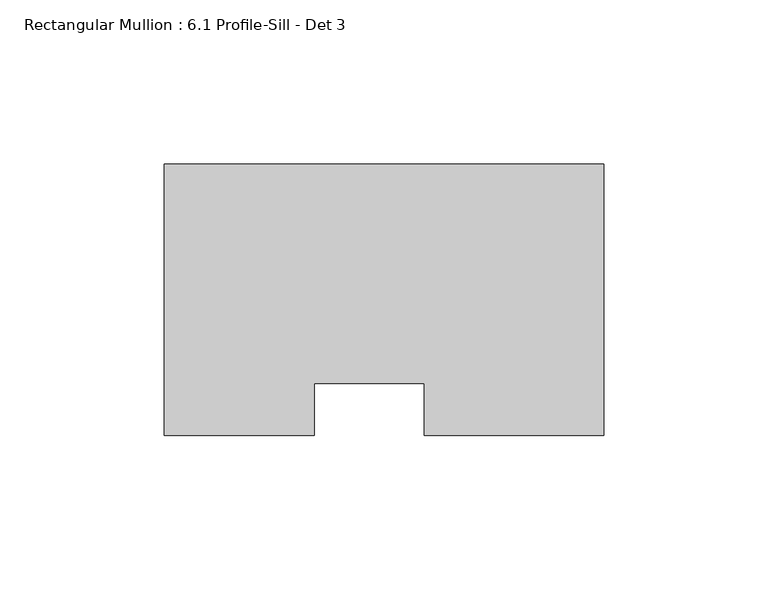
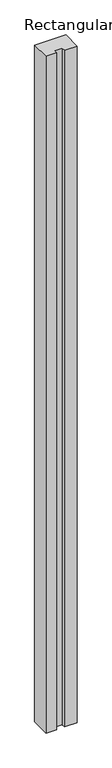
"""IFC4 building model written with IfcOpenShell, lengths in millimetres: member geometry, Rectangular Mullion : 6.1 Profile-Sill - Det 3."""

from ifc_helpers import new_model, si_unit, frame, origin, place, context, project, spatial, polyline, outline, extrude, source, transform, mapped, element, save


def rectangular_mullion_6_1_profile_sill_det_3_a96e23ea(model_context):
    return source(origin(), model_context, "Body", "SweptSolid", [
        extrude(outline(polyline([(-87.9624846, -43.053), (-133.53415, -43.053), (-133.53415, 39.5018917), (0.0, 39.5018917), (0.0, -43.053), (-54.60365, -43.053), (-54.60365, -27.178), (-87.9624846, -27.178), (-87.9624846, -43.053)])), frame((0.0, 0.0, -3048.0), z_axis=(0.0, 0.0, 1.0), x_axis=(1.0, 0.0, 0.0)), (0.0, 0.0, 1.0), 3048.0),
    ])


if __name__ == "__main__":
    model = new_model("IFC4")
    model_context = context("Model", 3, world=origin())
    ifc_project = project(units=[si_unit("LENGTHUNIT", "METRE", prefix="MILLI")], contexts=[model_context])
    site = spatial("IfcSite", under=ifc_project)
    building = spatial("IfcBuilding", under=site)
    placement = place(None, origin())
    rectangular_mullion_6_1_profile_sill_det_3_shape = rectangular_mullion_6_1_profile_sill_det_3_a96e23ea(model_context)
    element("IfcMember", 1, ObjectType="Rectangular Mullion : 6.1 Profile-Sill - Det 3", at=placement, inside=building, context=model_context, shape_type="MappedRepresentation", body=[
        mapped(rectangular_mullion_6_1_profile_sill_det_3_shape, transform((0.0, 0.0, 0.0), x_axis=(1.0, 0.0, 0.0), y_axis=(0.0, 1.0, 0.0), z_axis=(0.0, 0.0, 1.0))),
    ])
    save(model, "model.ifc")
